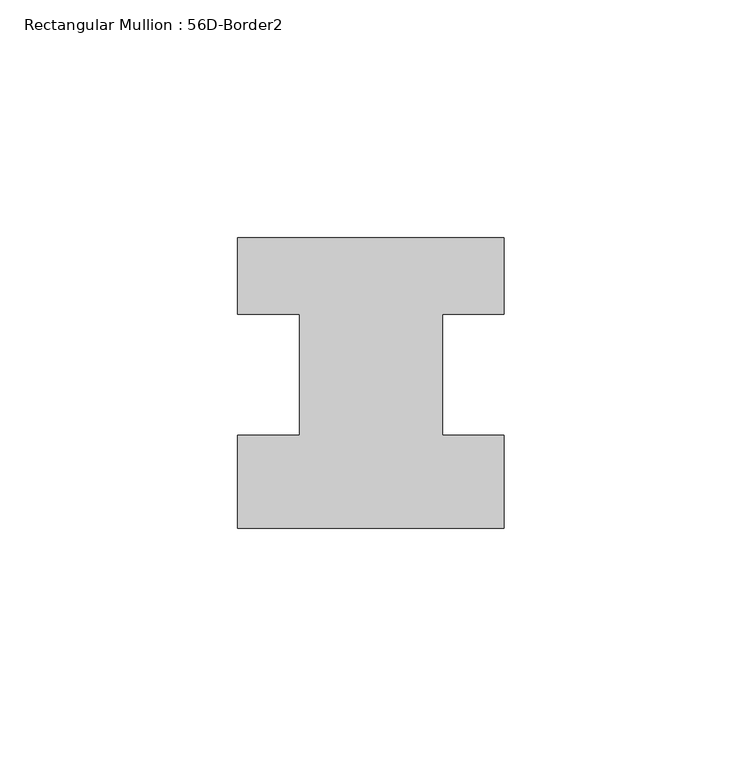
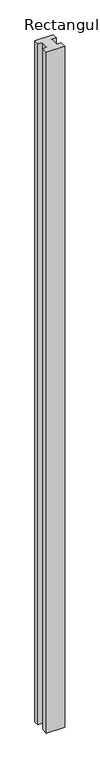
"""IFC4 building model written with IfcOpenShell, lengths in millimetres: member geometry, Rectangular Mullion : 56D-Border2."""

import ifcopenshell
import ifcopenshell.guid

model = None  # the IFC model being written
_history = None  # IfcOwnerHistory: only IFC2X3 demands one
_inside = {}  # id of a spatial element -> (the spatial element, [elements in it])
_under = {}  # id of a project, library or spatial element -> (it, [spatial elements below it])
_declared = {}  # id of a project -> (the project, [libraries it declares])
_typed = {}  # id of a type object -> (the type object, [elements of that type])
_made_of = {}  # id of a material, layer set ... -> (it, [elements and type objects made of it])


def new_model(schema):
    """Start an empty IFC model of exactly this schema.

    Asked for "IFC4X3", IfcOpenShell would pick the latest addendum, in which some entities
    have other attributes; the version numbers below select the first issue.
    IFC2X3 requires an IfcOwnerHistory on every rooted entity: one is made here for all.
    """
    global model, _history
    if schema == "IFC4X3":
        model = ifcopenshell.file(schema_version=(4, 3, 0, 0))
    else:
        model = ifcopenshell.file(schema=schema)
    _inside.clear()
    _under.clear()
    _declared.clear()
    _typed.clear()
    _made_of.clear()
    _history = None
    if model.schema == "IFC2X3":
        org = make("IfcOrganization", Name="unknown")
        user = make(
            "IfcPersonAndOrganization",
            ThePerson=make("IfcPerson", FamilyName="unknown"),
            TheOrganization=org,
        )
        app = make(
            "IfcApplication",
            ApplicationDeveloper=org,
            Version="unknown",
            ApplicationFullName="unknown",
            ApplicationIdentifier="unknown",
        )
        _history = make(
            "IfcOwnerHistory",
            OwningUser=user,
            OwningApplication=app,
            ChangeAction="ADDED",
            CreationDate=0,
        )
    return model


def make(cls, **values):
    """One entity of the class cls with the attributes given. An attribute that is None is left unset."""
    return model.create_entity(
        cls, **{name: value for name, value in values.items() if value is not None}
    )


def rooted(cls, **values):
    """An entity with a GlobalId (a new one), such as an element, a storey or a relation."""
    return make(cls, GlobalId=ifcopenshell.guid.new(), OwnerHistory=_history, **values)


def si_unit(unit_type, name, prefix=None):
    """IfcSIUnit, for example si_unit("LENGTHUNIT", "METRE", prefix="MILLI")."""
    return make("IfcSIUnit", UnitType=unit_type, Prefix=prefix, Name=name)


def assignment(units):
    """IfcUnitAssignment: the units of a project."""
    return None if units is None else make("IfcUnitAssignment", Units=units)


def point(xyz):
    """IfcCartesianPoint."""
    return None if xyz is None else make("IfcCartesianPoint", Coordinates=xyz)


def direction(xyz):
    """IfcDirection."""
    return None if xyz is None else make("IfcDirection", DirectionRatios=xyz)


def frame(location, z_axis=None, x_axis=None):
    """IfcAxis2Placement3D, a coordinate frame: its origin and axes. An axis left out is left unset."""
    return make(
        "IfcAxis2Placement3D",
        Location=point(location),
        Axis=direction(z_axis),
        RefDirection=direction(x_axis),
    )


def origin():
    """The frame at (0, 0, 0) with its axes left unset."""
    return frame((0.0, 0.0, 0.0))


def place(relative_to, where):
    """IfcLocalPlacement: puts the frame where relative to a parent placement (None: the world)."""
    return make(
        "IfcLocalPlacement", PlacementRelTo=relative_to, RelativePlacement=where
    )


def context(
    kind, dimensions, precision=None, world=None, true_north=None, identifier=None
):
    """IfcGeometricRepresentationContext, for example the 3D "Model" context."""
    return make(
        "IfcGeometricRepresentationContext",
        ContextIdentifier=identifier,
        ContextType=kind,
        CoordinateSpaceDimension=dimensions,
        Precision=precision,
        WorldCoordinateSystem=world,
        TrueNorth=true_north,
    )


def project(units=None, contexts=None):
    """IfcProject with its units and contexts."""
    return rooted(
        "IfcProject",
        Name="project",
        RepresentationContexts=contexts,
        UnitsInContext=assignment(units),
    )


def spatial(cls, under=None, at=None, **own):
    """A site, building, storey or space (cls), placed at a placement, below another one or the project."""
    s = rooted(cls, ObjectPlacement=at, **own)
    if under is not None:
        _under.setdefault(under.id(), (under, []))[1].append(s)
    return s


def polyline(points):
    """IfcPolyline through the points."""
    return make("IfcPolyline", Points=[point(p) for p in points])


def outline(outer, holes=None, kind="AREA"):
    """IfcArbitraryClosedProfileDef: a profile drawn as a closed curve; with holes, ...WithVoids."""
    if holes is None:
        return make("IfcArbitraryClosedProfileDef", ProfileType=kind, OuterCurve=outer)
    return make(
        "IfcArbitraryProfileDefWithVoids",
        ProfileType=kind,
        OuterCurve=outer,
        InnerCurves=holes,
    )


def extrude(swept, where, along, depth):
    """IfcExtrudedAreaSolid: the profile swept, set in the frame where, extruded along a direction by depth."""
    return make(
        "IfcExtrudedAreaSolid",
        SweptArea=swept,
        Position=where,
        ExtrudedDirection=direction(along),
        Depth=depth,
    )


def shape(context_of_items, identifier, shape_type, items):
    """IfcShapeRepresentation: the items that make up one representation, for example the "Body"."""
    return make(
        "IfcShapeRepresentation",
        ContextOfItems=context_of_items,
        RepresentationIdentifier=identifier,
        RepresentationType=shape_type,
        Items=items,
    )


def source(mapping_origin, context_of_items, identifier, shape_type, items):
    """IfcRepresentationMap: a shape defined once, which mapped items show again and again."""
    return make(
        "IfcRepresentationMap",
        MappingOrigin=mapping_origin,
        MappedRepresentation=shape(context_of_items, identifier, shape_type, items),
    )


def transform(
    local_origin,
    x_axis=None,
    y_axis=None,
    z_axis=None,
    scale=None,
    scale2=None,
    scale3=None,
    uniform=True,
):
    """IfcCartesianTransformationOperator3D, or its non-uniform kind. x_axis, y_axis, z_axis: its Axis1, 2, 3."""
    if uniform:
        return make(
            "IfcCartesianTransformationOperator3D",
            Axis1=direction(x_axis),
            Axis2=direction(y_axis),
            LocalOrigin=point(local_origin),
            Scale=scale,
            Axis3=direction(z_axis),
        )
    return make(
        "IfcCartesianTransformationOperator3DnonUniform",
        Axis1=direction(x_axis),
        Axis2=direction(y_axis),
        LocalOrigin=point(local_origin),
        Scale=scale,
        Axis3=direction(z_axis),
        Scale2=scale2,
        Scale3=scale3,
    )


def mapped(mapping_source, mapping_target):
    """IfcMappedItem: shows the shape of a source again, moved by a transform."""
    return make(
        "IfcMappedItem", MappingSource=mapping_source, MappingTarget=mapping_target
    )


def made_of(thing, what):
    """Note that an element or type object is made of a material, layer set ...; save() writes the relation."""
    if what is not None:
        _made_of.setdefault(what.id(), (what, []))[1].append(thing)
    return thing


def element(
    cls,
    number,
    at=None,
    inside=None,
    cuts=None,
    type_object=None,
    material=None,
    context=None,
    identifier="Body",
    shape_type=None,
    held_by="IfcProductDefinitionShape",
    body=None,
    shapes=None,
    **own,
):
    """One element of the class cls, such as IfcWall. Its Tag is "e" and its number.

    at: its placement. inside: the storey or other place that contains it. cuts: it is an
    opening in that element (IfcRelVoidsElement). A single representation is given by context,
    identifier, shape_type and body (its items); several are given by shapes. held_by: the class
    of the entity that holds the representations. save() writes the other relations.
    """
    e = rooted(cls, Tag="e%d" % number, ObjectPlacement=at, **own)
    if body is not None:
        shapes = [shape(context, identifier, shape_type, body)]
    if shapes is not None:
        e.Representation = make(held_by, Representations=shapes)
    if inside is not None:
        _inside.setdefault(inside.id(), (inside, []))[1].append(e)
    if cuts is not None:
        rooted(
            "IfcRelVoidsElement", RelatingBuildingElement=cuts, RelatedOpeningElement=e
        )
    if type_object is not None:
        _typed.setdefault(type_object.id(), (type_object, []))[1].append(e)
    return made_of(e, material)


def aggregate(whole, parts):
    """IfcRelAggregates: a whole, such as a stair, and the parts it consists of."""
    return rooted("IfcRelAggregates", RelatingObject=whole, RelatedObjects=parts)


def save(model, path):
    """Write the relations noted so far, then the file.

    IfcRelAggregates (storeys below a building ...), IfcRelContainedInSpatialStructure (elements
    in a storey), IfcRelDefinesByType, IfcRelAssociatesMaterial and IfcRelDeclares: one each for
    every whole, place, type object, material and project.
    """
    for whole, parts in _under.values():
        aggregate(whole, parts)
    for where, things in _inside.values():
        rooted(
            "IfcRelContainedInSpatialStructure",
            RelatedElements=things,
            RelatingStructure=where,
        )
    for kind, things in _typed.values():
        rooted("IfcRelDefinesByType", RelatedObjects=things, RelatingType=kind)
    for what, things in _made_of.values():
        rooted("IfcRelAssociatesMaterial", RelatedObjects=things, RelatingMaterial=what)
    for by, libraries in _declared.values():
        rooted("IfcRelDeclares", RelatingContext=by, RelatedDefinitions=libraries)
    model.write(path)


def rectangular_mullion_56d_border2_0ba5e005(model_context):
    return source(origin(), model_context, "Body", "SweptSolid", [
        extrude(outline(polyline([(0.0, -20.0), (-56.0, -20.0), (-56.0, -0.5), (-43.0, -0.5), (-43.0, 25.0), (-56.0, 25.0), (-56.0, 41.0), (0.0, 41.0), (0.0, 25.0), (-13.0, 25.0), (-13.0, -0.5), (0.0, -0.5), (0.0, -20.0)])), frame((0.0, 0.0, -2200.0), z_axis=(0.0, 0.0, 1.0), x_axis=(1.0, 0.0, 0.0)), (0.0, 0.0, 1.0), 2200.0),
    ])


if __name__ == "__main__":
    model = new_model("IFC4")
    model_context = context("Model", 3, world=origin())
    ifc_project = project(units=[si_unit("LENGTHUNIT", "METRE", prefix="MILLI")], contexts=[model_context])
    site = spatial("IfcSite", under=ifc_project)
    building = spatial("IfcBuilding", under=site)
    placement = place(None, origin())
    rectangular_mullion_56d_border2_shape = rectangular_mullion_56d_border2_0ba5e005(model_context)
    element("IfcMember", 1, ObjectType="Rectangular Mullion : 56D-Border2", at=placement, inside=building, context=model_context, shape_type="MappedRepresentation", body=[
        mapped(rectangular_mullion_56d_border2_shape, transform((0.0, 0.0, 0.0), x_axis=(1.0, 0.0, 0.0), y_axis=(0.0, 1.0, 0.0), z_axis=(0.0, 0.0, 1.0))),
    ])
    save(model, "model.ifc")
